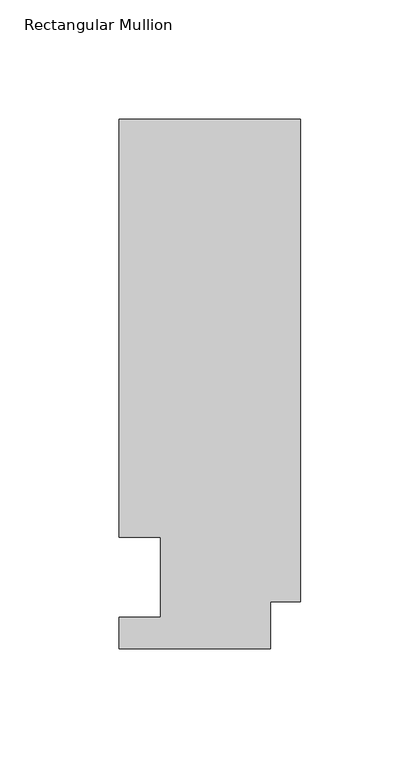
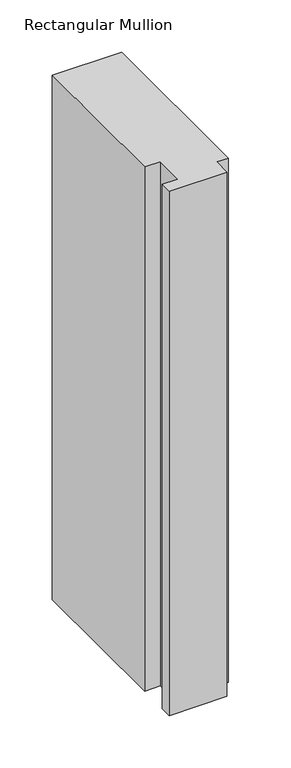
"""IFC4 building model written with IfcOpenShell, lengths in millimetres: member geometry, Rectangular Mullion."""

from ifc_helpers import new_model, si_unit, frame, origin, place, context, project, spatial, polyline, outline, extrude, source, transform, mapped, element, save


def rectangular_mullion_48b0f05c(model_context):
    return source(origin(), model_context, "Body", "SweptSolid", [
        extrude(outline(polyline([(-76.2000001, 222.0301312), (0.0, 222.0301312), (0.0, 19.574358), (-12.7, 19.574358), (-12.7, 0.041758), (-76.2, 0.041758), (-76.2, 13.224358), (-58.7676635, 13.224358), (-58.7676635, 46.7447302), (-76.2000001, 46.7447302), (-76.2000001, 222.0301312)])), frame((0.0, 0.0, -609.6), z_axis=(0.0, 0.0, 1.0), x_axis=(1.0, 0.0, 0.0)), (0.0, 0.0, 1.0), 609.6),
    ])


if __name__ == "__main__":
    model = new_model("IFC4")
    model_context = context("Model", 3, world=origin())
    ifc_project = project(units=[si_unit("LENGTHUNIT", "METRE", prefix="MILLI")], contexts=[model_context])
    site = spatial("IfcSite", under=ifc_project)
    building = spatial("IfcBuilding", under=site)
    placement = place(None, origin())
    rectangular_mullion_shape = rectangular_mullion_48b0f05c(model_context)
    element("IfcMember", 1, ObjectType="Rectangular Mullion", at=placement, inside=building, context=model_context, shape_type="MappedRepresentation", body=[
        mapped(rectangular_mullion_shape, transform((0.0, 0.0, 0.0), x_axis=(1.0, 0.0, 0.0), y_axis=(0.0, 1.0, 0.0), z_axis=(0.0, 0.0, 1.0))),
    ])
    save(model, "model.ifc")
